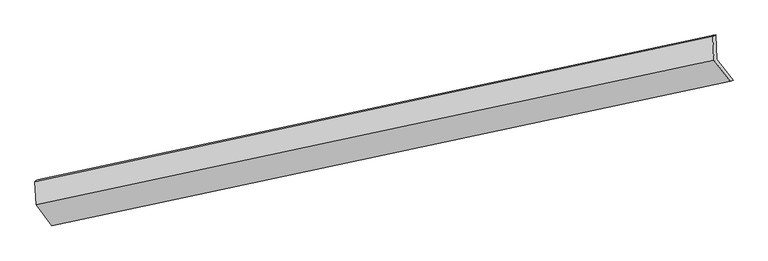
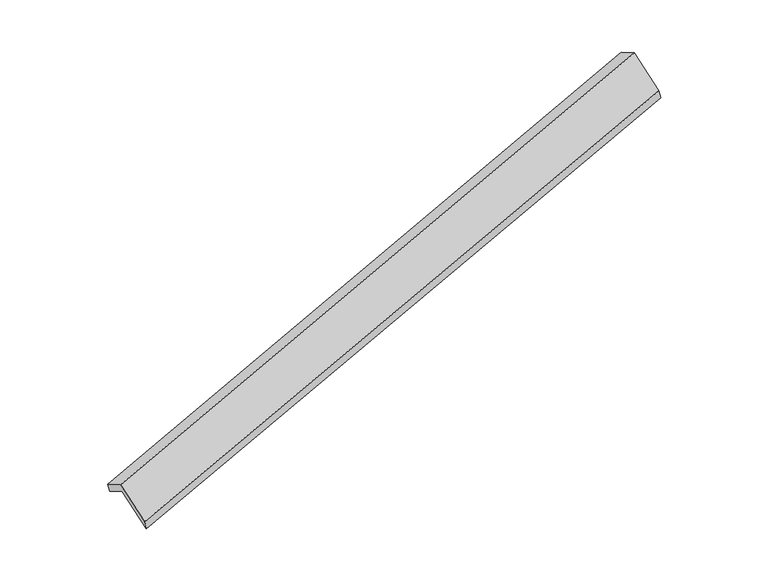
"""IFC4 building model written with IfcOpenShell, lengths in millimetres: proxy geometry."""

from ifc_helpers import new_model, si_unit, frame, origin, place, context, project, spatial, source, transform, mapped, element, save
from ifc_brep_helpers import plane_surface, spline_surface, advanced_brep


def generic_models_0aab12c6(model_context):
    return source(origin(), model_context, "Body", "AdvancedBrep", [
        advanced_brep(
        [(-8389.3006152, -2676.585468, 485.260262), (-8407.4509674, -2293.8468504, 270.9258001), (2534.4971832, 44.3033721, 3540.0715158), (2553.0609438, -347.1528386, 3759.2878488), (-8451.9306881, -2320.3311336, 438.4906433), (2486.5828635, 22.2833881, 3715.8991408), (-8433.9984962, -2698.46938, 650.2488873), (2504.9284639, -364.5724513, 3932.5392558), (-8177.4658018, -3031.9111299, 33.0957143), (2768.3303562, -706.9427997, 3298.8605193), (-8132.640281, -3010.1931246, -132.1999804), (2813.1558771, -685.2247944, 3133.5648246)],
        [
            (0, 1),
            (1, 2),
            (2, 3),
            (3, 0),
            (1, 4),
            (4, 5),
            (5, 2),
            (4, 6),
            (6, 7),
            (7, 5),
            (6, 8),
            (8, 9),
            (9, 7),
            (8, 10),
            (10, 11),
            (11, 9),
            (10, 0),
            (3, 11),
        ],
        [
            plane_surface(frame((-8398.3757913, -2485.2161592, 378.0930311), z_axis=(0.3424071573221714, -0.446656050803263, -0.8265928325937646), x_axis=(-0.04134084619100632, 0.8717593003933243, -0.48818711229809586))),
            spline_surface(1, 1, [[(-8407.4509674, -2293.8468504, 270.9258001), (2534.4971832, 44.3033721, 3540.0715158)], [(-8451.9306881, -2320.3311336, 438.4906433), (2486.5828635, 22.2833881, 3715.8991408)]], [2, 2], [2, 2], [0.0, 1.0], [0.0, 1.0]),
            plane_surface(frame((-8442.9645922, -2509.4002568, 544.3697653), z_axis=(-0.34321226410506306, 0.4464831707414184, 0.8263522977595973), x_axis=(0.0413408461911114, -0.8717593003932951, 0.4881871122981388))),
            plane_surface(frame((-8305.732149, -2865.1902549, 341.6723008), z_axis=(0.03973098112927195, -0.8721043078591765, 0.48770434215000824), x_axis=(0.3434598996864424, -0.44642991910954666, -0.8262781763009492))),
            plane_surface(frame((-8155.0530414, -3021.0521273, -49.5521331), z_axis=(0.2262140244996583, -0.9718159285299115, -0.06634015507378732), x_axis=(0.25965130059556335, 0.12580128947790273, -0.9574733613342615))),
            plane_surface(frame((-8260.9704481, -2843.3892963, 176.5301408), z_axis=(-0.039730981129274257, 0.8721043078591804, -0.487704342150001), x_axis=(-0.34345989968644025, 0.4464299191095396, 0.826278176300954))),
            plane_surface(frame((2610.0926146, -339.5510206, 3563.3705175), z_axis=(0.9382570179559225, 0.20183173561614054, 0.2809585712425164), x_axis=(0.25965130059556335, 0.12580128947790273, -0.9574733613342615))),
            plane_surface(frame((-8332.1311416, -2671.8895144, 290.9702211), z_axis=(-0.9382570179559246, -0.20183173561615286, -0.2809585712425006), x_axis=(0.34345989968643303, -0.446429919109553, -0.8262781763009497))),
        ],
        [
            (0, [[1, 2, 3, 4]]),
            (1, [[5, 6, 7, -2]]),
            (2, [[8, 9, 10, -6]]),
            (3, [[11, 12, 13, -9]]),
            (4, [[14, 15, 16, -12]]),
            (5, [[17, -4, 18, -15]]),
            (6, [[-16, -18, -3, -7, -10, -13]]),
            (7, [[-17, -14, -11, -8, -5, -1]]),
        ],
    ),
    ])


if __name__ == "__main__":
    model = new_model("IFC4")
    model_context = context("Model", 3, world=origin())
    ifc_project = project(units=[si_unit("LENGTHUNIT", "METRE", prefix="MILLI")], contexts=[model_context])
    site = spatial("IfcSite", under=ifc_project)
    building = spatial("IfcBuilding", under=site)
    placement = place(None, origin())
    generic_models_shape = generic_models_0aab12c6(model_context)
    element("IfcBuildingElementProxy", 1, Name="Generic Models", at=placement, inside=building, context=model_context, shape_type="MappedRepresentation", body=[
        mapped(generic_models_shape, transform((0.0, 0.0, 0.0), x_axis=(1.0, 0.0, 0.0), y_axis=(0.0, 1.0, 0.0), z_axis=(0.0, 0.0, 1.0))),
    ])
    save(model, "model.ifc")
